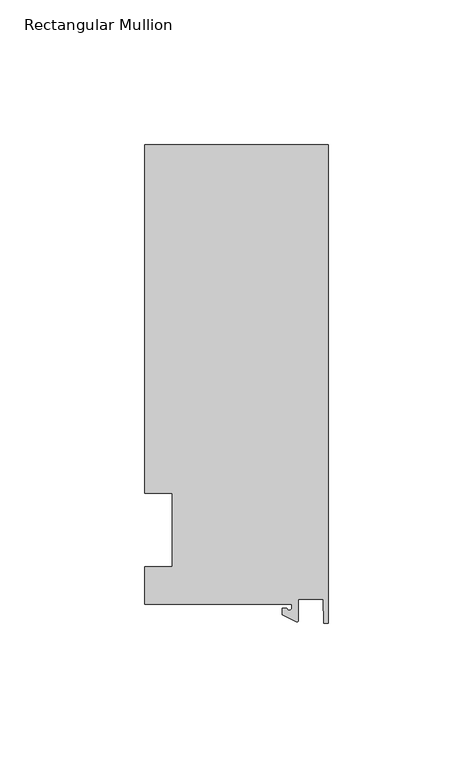
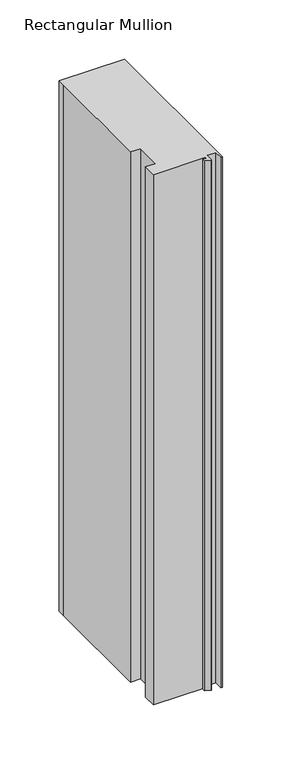
"""IFC4 building model written with IfcOpenShell, lengths in millimetres: member geometry, Rectangular Mullion."""

from ifc_helpers import new_model, si_unit, point, frame, frame_2d, origin, place, context, project, spatial, polyline, circle_curve, trimmed, segment, composite_curve, outline, extrude, source, transform, mapped, element, save


def rectangular_mullion_6657efd3(model_context):
    return source(origin(), model_context, "Body", "SweptSolid", [
        extrude(outline(composite_curve([segment(polyline([(-12.6173814, -25.796875), (-63.5, -25.796875), (-63.5, -12.7), (-53.975, -12.7), (-53.975, 12.7), (-63.5, 12.7), (-63.5, 125.8114907), (-63.5, 133.34365), (0.0, 133.34365), (0.0, -32.288874), (-1.5658966, -32.288874), (-1.7144124, -23.9227662), (-10.2297814, -23.9227662), (-10.2297814, -31.2414327)]), True, "CONTINUOUS"), segment(trimmed(circle_curve(frame_2d((-10.7377814, -31.2414327)), 0.508), [point((-10.2297814, -31.2414327))], [point((-10.9524715, -31.7018371))], False, "CARTESIAN"), True, "CONTINUOUS"), segment(polyline([(-10.9524715, -31.7018371), (-15.7923814, -29.44495), (-15.7923814, -27.0827507), (-14.2048814, -27.0827507)]), True, "CONTINUOUS"), segment(trimmed(circle_curve(frame_2d((-13.4111314, -27.0827507)), 0.79375), [point((-14.2048814, -27.0827507))], [point((-12.6173814, -27.0827507))], True, "CARTESIAN"), True, "CONTINUOUS"), segment(polyline([(-12.6173814, -27.0827507), (-12.6173814, -25.796875)]), True, "CONTINUOUS")], self_intersect=False)), frame((0.0, 0.0, -545.7391064), z_axis=(0.0, 0.0, 1.0), x_axis=(1.0, 0.0, 0.0)), (0.0, 0.0, 1.0), 545.7391064),
    ])


if __name__ == "__main__":
    model = new_model("IFC4")
    model_context = context("Model", 3, world=origin())
    ifc_project = project(units=[si_unit("LENGTHUNIT", "METRE", prefix="MILLI")], contexts=[model_context])
    site = spatial("IfcSite", under=ifc_project)
    building = spatial("IfcBuilding", under=site)
    placement = place(None, origin())
    rectangular_mullion_shape = rectangular_mullion_6657efd3(model_context)
    element("IfcMember", 1, ObjectType="Rectangular Mullion", at=placement, inside=building, context=model_context, shape_type="MappedRepresentation", body=[
        mapped(rectangular_mullion_shape, transform((0.0, 0.0, 0.0), x_axis=(1.0, 0.0, 0.0), y_axis=(0.0, 1.0, 0.0), z_axis=(0.0, 0.0, 1.0))),
    ])
    save(model, "model.ifc")
